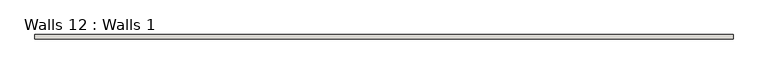
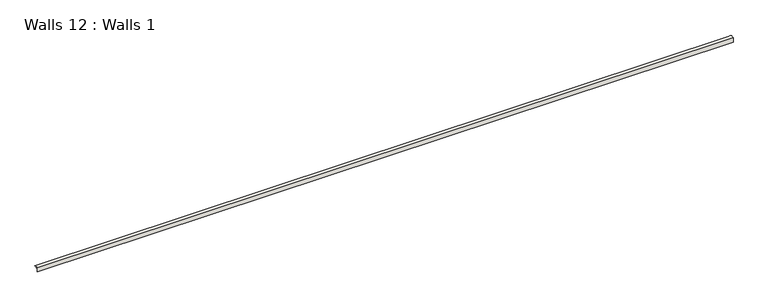
"""IFC4 building model written with IfcOpenShell, lengths in millimetres: wall geometry, Walls 12 : Walls 1."""

from ifc_helpers import new_model, si_unit, point, frame, frame_2d, origin, place, context, project, spatial, polyline, circle_curve, trimmed, segment, composite_curve, outline, extrude, source, transform, mapped, element, save


def walls_12_walls_1_39eb71f3(model_context):
    return source(origin(), model_context, "Body", "SweptSolid", [
        extrude(outline(composite_curve([segment(polyline([(723.832796, 3.1732159), (723.832796, 0.0), (717.482796, 0.0), (717.482796, -9.8564932), (715.9399155, -9.8564932), (715.9399155, 4.8468939)]), True, "CONTINUOUS"), segment(trimmed(circle_curve(frame_2d((721.9103423, -5.7849882)), 12.1935603), [point((715.9399155, 4.8468939))], [point((730.182796, 3.1732159))], False, "CARTESIAN"), True, "CONTINUOUS"), segment(polyline([(730.182796, 3.1732159), (723.832796, 3.1732159)]), True, "CONTINUOUS")], self_intersect=False)), frame((1879.6350462, 0.0, 0.0), z_axis=(1.0, 0.0, 0.0), x_axis=(0.0, 1.0, 0.0)), (0.0, 0.0, 1.0), 2286.0),
    ])


if __name__ == "__main__":
    model = new_model("IFC4")
    model_context = context("Model", 3, world=origin())
    ifc_project = project(units=[si_unit("LENGTHUNIT", "METRE", prefix="MILLI")], contexts=[model_context])
    site = spatial("IfcSite", under=ifc_project)
    building = spatial("IfcBuilding", under=site)
    placement = place(None, origin())
    walls_12_walls_1_shape = walls_12_walls_1_39eb71f3(model_context)
    element("IfcWall", 1, ObjectType="Walls 12 : Walls 1", at=placement, inside=building, context=model_context, shape_type="MappedRepresentation", body=[
        mapped(walls_12_walls_1_shape, transform((0.0, 0.0, 0.0), x_axis=(1.0, 0.0, 0.0), y_axis=(0.0, 1.0, 0.0), z_axis=(0.0, 0.0, 1.0))),
    ])
    save(model, "model.ifc")
